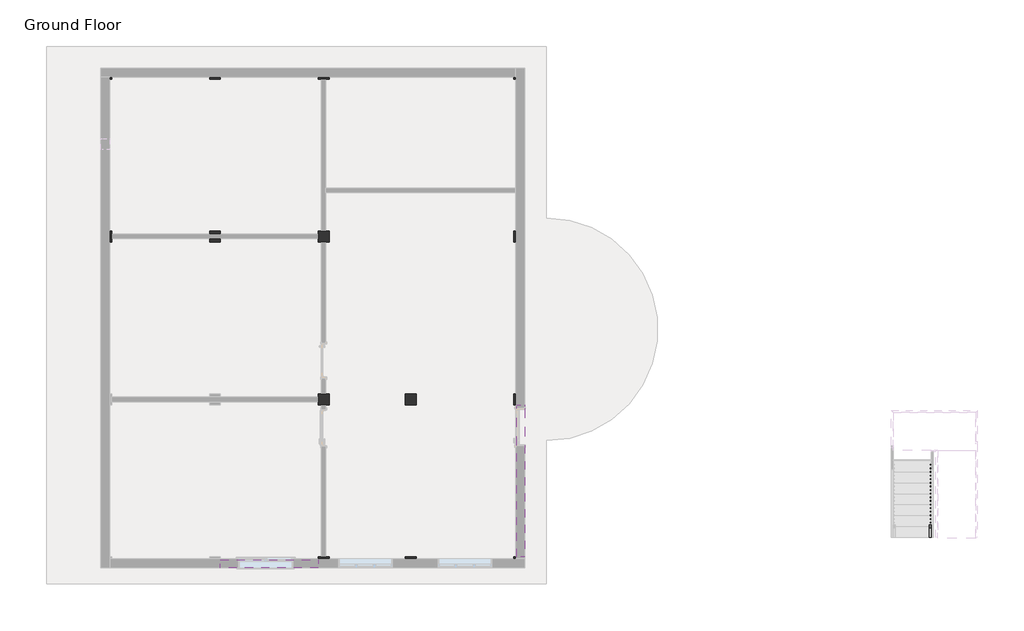
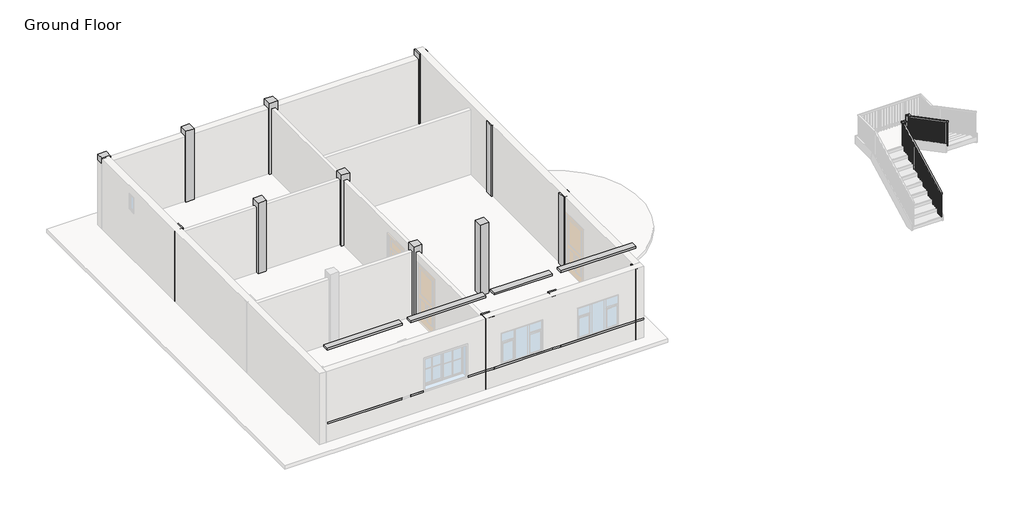
# One storey, part 2 of 3: 14 columns, 3 beams, 1 railing.
"""IFC4 building model written with IfcOpenShell, lengths in millimetres."""

from ifc_helpers import new_model, si_unit, frame, origin, place, context, project, spatial, polyline, outline, extrude, faceted_brep, element, save

model = new_model("IFC4")

# Units and contexts
model_context = context("Model", 3, world=origin())
ifc_project = project(units=[si_unit("LENGTHUNIT", "METRE", prefix="MILLI")], contexts=[model_context])

# Site, building, storey
site = spatial("IfcSite", under=ifc_project)
building = spatial("IfcBuilding", under=site)
storey = spatial("IfcBuildingStorey", under=building, Name="Ground Floor", Elevation=0.0)

# Beams
placement = place(None, origin())
element("IfcBeam", 1, ObjectType="Concrete-Rectangular Beam", at=placement, inside=storey, context=model_context, shape_type="Brep", body=[
    faceted_brep([(14744.5409002, -1628.0114294, 2235.2), (14515.9409002, -1628.0114294, 2235.2), (14515.9409002, -5895.2114294, 2235.2), (14744.5409002, -5895.2114294, 2235.2), (14744.5409002, -1628.0114294, 2133.6), (14744.5409002, -5895.2114294, 2133.6), (14515.9409002, -1628.0114294, 2133.6), (14515.9409002, -5895.2114294, 2133.6)], [[[0, 1, 2, 3]], [[4, 0, 3, 5]], [[6, 4, 5, 7]], [[1, 6, 7, 2]], [[1, 0, 4, 6]], [[3, 2, 7, 5]]]),
    faceted_brep([(14744.5409002, -15039.2114294, 2235.2), (14515.9409002, -15039.2114294, 2235.2), (14515.9409002, -15039.2114294, 2133.6), (14744.5409002, -15039.2114294, 2133.6), (14515.9409002, -10772.0114294, 2235.2), (14744.5409002, -10772.0114294, 2235.2), (14744.5409002, -10772.0114294, 2133.6), (14515.9409002, -10772.0114294, 2133.6), (14515.9409002, -10873.6114294, 2133.6), (14515.9409002, -11915.0114294, 2133.6), (14744.5409002, -11915.0114294, 2133.6), (14744.5409002, -10873.6114294, 2133.6)], [[[0, 1, 2, 3]], [[4, 5, 6, 7]], [[2, 1, 4, 7, 8, 9]], [[1, 0, 5, 4]], [[0, 3, 10, 11, 6, 5]], [[3, 2, 9, 8, 7, 6, 11, 10]]]),
    faceted_brep([(14744.5409002, -10467.2114294, 2235.2), (14515.9409002, -10467.2114294, 2235.2), (14515.9409002, -10467.2114294, 2133.6), (14744.5409002, -10467.2114294, 2133.6), (14515.9409002, -6200.0114294, 2235.2), (14744.5409002, -6200.0114294, 2235.2), (14744.5409002, -6200.0114294, 2133.6), (14515.9409002, -6200.0114294, 2133.6)], [[[0, 1, 2, 3]], [[4, 5, 6, 7]], [[2, 1, 4, 7]], [[1, 0, 5, 4]], [[0, 3, 6, 5]], [[3, 2, 7, 6]]]),
])
element("IfcBeam", 2, ObjectType="Concrete-Rectangular Beam", at=placement, inside=storey, context=model_context, shape_type="Brep", body=[
    faceted_brep([(11696.5409002, -15115.4114294, 762.0), (11696.5409002, -15344.0114294, 762.0), (12306.1409002, -15344.0114294, 762.0), (13830.1409002, -15344.0114294, 762.0), (14439.7409002, -15344.0114294, 762.0), (14439.7409002, -15115.4114294, 762.0), (13830.1409002, -15115.4114294, 762.0), (12306.1409002, -15115.4114294, 762.0), (11696.5409002, -15344.0114294, 685.8), (14439.7409002, -15344.0114294, 685.8), (11696.5409002, -15115.4114294, 685.8), (14439.7409002, -15115.4114294, 685.8)], [[[0, 1, 2, 3, 4, 5, 6, 7]], [[1, 8, 9, 4, 3, 2]], [[8, 10, 11, 9]], [[10, 0, 7, 6, 5, 11]], [[1, 0, 10, 8]], [[5, 4, 9, 11]]]),
    faceted_brep([(3162.1409002, -15344.0114294, 762.0), (3162.1409002, -15115.4114294, 762.0), (3162.1409002, -15115.4114294, 685.8), (3162.1409002, -15344.0114294, 685.8), (5905.3409002, -15115.4114294, 685.8), (5905.3409002, -15115.4114294, 762.0), (5905.3409002, -15344.0114294, 762.0), (5905.3409002, -15344.0114294, 685.8)], [[[0, 1, 2, 3]], [[4, 5, 6, 7]], [[2, 1, 5, 4]], [[1, 0, 6, 5]], [[0, 3, 7, 6]], [[3, 2, 4, 7]]]),
    faceted_brep([(9258.1409002, -15344.0114294, 762.0), (9258.1409002, -15115.4114294, 762.0), (9258.1409002, -15115.4114294, 685.8), (9258.1409002, -15344.0114294, 685.8), (11391.7409002, -15115.4114294, 762.0), (11391.7409002, -15344.0114294, 762.0), (11391.7409002, -15344.0114294, 685.8), (11391.7409002, -15115.4114294, 685.8), (9512.1409002, -15344.0114294, 762.0), (11036.1409002, -15344.0114294, 762.0), (11036.1409002, -15115.4114294, 762.0), (9512.1409002, -15115.4114294, 762.0)], [[[0, 1, 2, 3]], [[4, 5, 6, 7]], [[1, 0, 8, 9, 5, 4, 10, 11]], [[0, 3, 6, 5, 9, 8]], [[3, 2, 7, 6]], [[2, 1, 11, 10, 4, 7]]]),
    faceted_brep([(8953.3409002, -15115.4114294, 762.0), (8953.3409002, -15344.0114294, 762.0), (8953.3409002, -15344.0114294, 685.8), (8953.3409002, -15115.4114294, 685.8), (6210.1409002, -15115.4114294, 685.8), (6210.1409002, -15115.4114294, 762.0), (6718.1409002, -15115.4114294, 762.0), (8242.1409002, -15115.4114294, 762.0), (6210.1409002, -15344.0114294, 685.8), (6210.1409002, -15344.0114294, 762.0), (6718.1409002, -15344.0114294, 762.0), (8242.1409002, -15344.0114294, 762.0)], [[[0, 1, 2, 3]], [[0, 3, 4, 5, 6, 7]], [[5, 4, 8, 9]], [[1, 0, 7, 6, 5, 9, 10, 11]], [[2, 1, 11, 10, 9, 8]], [[3, 2, 8, 4]]]),
])
element("IfcBeam", 3, ObjectType="Concrete-Rectangular Beam", at=placement, inside=storey, context=model_context, shape_type="SweptSolid", body=[
    extrude(outline(polyline([(14439.7409002, -15115.4114294), (14439.7409002, -15344.0114294), (11696.5409002, -15344.0114294), (11696.5409002, -15115.4114294), (14439.7409002, -15115.4114294)])), frame((0.0, 0.0, 3556.0), z_axis=(0.0, 0.0, 1.0), x_axis=(1.0, 0.0, 0.0)), (0.0, 0.0, 1.0), 76.2),
    extrude(outline(polyline([(3162.1409002, -15344.0114294), (3162.1409002, -15115.4114294), (5905.3409002, -15115.4114294), (5905.3409002, -15344.0114294), (3162.1409002, -15344.0114294)])), frame((0.0, 0.0, 3556.0), z_axis=(0.0, 0.0, 1.0), x_axis=(1.0, 0.0, 0.0)), (0.0, 0.0, 1.0), 76.2),
    extrude(outline(polyline([(9258.1409002, -15344.0114294), (9258.1409002, -15115.4114294), (11391.7409002, -15115.4114294), (11391.7409002, -15344.0114294), (9258.1409002, -15344.0114294)])), frame((0.0, 0.0, 3556.0), z_axis=(0.0, 0.0, 1.0), x_axis=(1.0, 0.0, 0.0)), (0.0, 0.0, 1.0), 76.2),
    extrude(outline(polyline([(8953.3409002, -15115.4114294), (8953.3409002, -15344.0114294), (6210.1409002, -15344.0114294), (6210.1409002, -15115.4114294), (8953.3409002, -15115.4114294)])), frame((0.0, 0.0, 3556.0), z_axis=(0.0, 0.0, 1.0), x_axis=(1.0, 0.0, 0.0)), (0.0, 0.0, 1.0), 76.2),
])

# Columns
element("IfcColumn", 4, ObjectType="Concrete-Rectangular-Column", at=placement, inside=storey, context=model_context, shape_type="Brep", body=[
    faceted_brep([(9258.1409002, -15039.2114294, 0.0), (9258.1409002, -15344.0114294, 0.0), (8953.3409002, -15344.0114294, 0.0), (8953.3409002, -15039.2114294, 0.0), (9258.1409002, -15039.2114294, 2743.2), (9258.1409002, -15344.0114294, 2743.2), (9258.1409002, -15344.0114294, 2514.6), (9258.1409002, -15344.0114294, 762.0), (9258.1409002, -15344.0114294, 685.8), (9258.1409002, -15039.2114294, 2514.6), (8953.3409002, -15344.0114294, 2743.2), (8953.3409002, -15344.0114294, 2514.6), (8953.3409002, -15344.0114294, 762.0), (8953.3409002, -15344.0114294, 685.8), (8953.3409002, -15039.2114294, 2743.2), (8953.3409002, -15039.2114294, 2514.6)], [[[0, 1, 2, 3]], [[4, 5, 6, 7, 8, 1, 0, 9]], [[5, 10, 11, 12, 13, 2, 1, 8, 7, 6]], [[10, 14, 15, 3, 2, 13, 12, 11]], [[14, 4, 9, 0, 3, 15]], [[4, 14, 10, 5]]]),
])
element("IfcColumn", 5, ObjectType="Concrete-Rectangular-Column", at=placement, inside=storey, context=model_context, shape_type="Brep", body=[
    faceted_brep([(11696.5409002, -15039.2114294, 0.0), (11696.5409002, -15344.0114294, 0.0), (11391.7409002, -15344.0114294, 0.0), (11391.7409002, -15039.2114294, 0.0), (11696.5409002, -15039.2114294, 2743.2), (11696.5409002, -15344.0114294, 2743.2), (11696.5409002, -15344.0114294, 2514.6), (11696.5409002, -15344.0114294, 762.0), (11696.5409002, -15344.0114294, 685.8), (11696.5409002, -15039.2114294, 2514.6), (11391.7409002, -15344.0114294, 2743.2), (11391.7409002, -15344.0114294, 2514.6), (11391.7409002, -15344.0114294, 762.0), (11391.7409002, -15344.0114294, 685.8), (11391.7409002, -15039.2114294, 2743.2), (11391.7409002, -15039.2114294, 2514.6)], [[[0, 1, 2, 3]], [[4, 5, 6, 7, 8, 1, 0, 9]], [[5, 10, 11, 12, 13, 2, 1, 8, 7, 6]], [[10, 14, 15, 3, 2, 13, 12, 11]], [[14, 4, 9, 0, 3, 15]], [[4, 14, 10, 5]]]),
])
element("IfcColumn", 6, ObjectType="Concrete-Rectangular-Column", at=placement, inside=storey, context=model_context, shape_type="Brep", body=[
    faceted_brep([(14744.5409002, -15039.2114294, 0.0), (14744.5409002, -15344.0114294, 0.0), (14439.7409002, -15344.0114294, 0.0), (14439.7409002, -15039.2114294, 0.0), (14744.5409002, -15039.2114294, 2743.2), (14744.5409002, -15344.0114294, 2743.2), (14744.5409002, -15039.2114294, 2514.6), (14439.7409002, -15344.0114294, 2743.2), (14439.7409002, -15344.0114294, 2514.6), (14439.7409002, -15039.2114294, 2743.2), (14439.7409002, -15039.2114294, 2514.6)], [[[0, 1, 2, 3]], [[4, 5, 1, 0, 6]], [[5, 7, 8, 2, 1]], [[7, 9, 10, 3, 2, 8]], [[9, 4, 6, 0, 3, 10]], [[4, 9, 7, 5]]]),
])
element("IfcColumn", 7, ObjectType="Concrete-Rectangular-Column", at=placement, inside=storey, context=model_context, shape_type="Brep", body=[
    faceted_brep([(9258.1409002, -10467.2114294, 0.0), (9258.1409002, -10772.0114294, 0.0), (8953.3409002, -10772.0114294, 0.0), (8953.3409002, -10467.2114294, 0.0), (9258.1409002, -10467.2114294, 2743.2), (9258.1409002, -10772.0114294, 2743.2), (9258.1409002, -10772.0114294, 2514.6), (9258.1409002, -10467.2114294, 2514.6), (8953.3409002, -10772.0114294, 2743.2), (8953.3409002, -10772.0114294, 2514.6), (8953.3409002, -10467.2114294, 2743.2), (8953.3409002, -10467.2114294, 2514.6)], [[[0, 1, 2, 3]], [[4, 5, 6, 1, 0, 7]], [[5, 8, 9, 2, 1, 6]], [[8, 10, 11, 3, 2, 9]], [[10, 4, 7, 0, 3, 11]], [[4, 10, 8, 5]]]),
])
element("IfcColumn", 8, ObjectType="Concrete-Rectangular-Column", at=placement, inside=storey, context=model_context, shape_type="Brep", body=[
    faceted_brep([(11696.5409002, -10467.2114294, 0.0), (11696.5409002, -10772.0114294, 0.0), (11391.7409002, -10772.0114294, 0.0), (11391.7409002, -10467.2114294, 0.0), (11696.5409002, -10467.2114294, 2743.2), (11696.5409002, -10772.0114294, 2743.2), (11696.5409002, -10772.0114294, 2514.6), (11696.5409002, -10467.2114294, 2514.6), (11391.7409002, -10772.0114294, 2743.2), (11391.7409002, -10772.0114294, 2514.6), (11391.7409002, -10467.2114294, 2743.2), (11391.7409002, -10467.2114294, 2514.6)], [[[0, 1, 2, 3]], [[4, 5, 6, 1, 0, 7]], [[5, 8, 9, 2, 1, 6]], [[8, 10, 11, 3, 2, 9]], [[10, 4, 7, 0, 3, 11]], [[4, 10, 8, 5]]]),
])
element("IfcColumn", 9, ObjectType="Concrete-Rectangular-Column", at=placement, inside=storey, context=model_context, shape_type="Brep", body=[
    faceted_brep([(14744.5409002, -10467.2114294, 0.0), (14744.5409002, -10772.0114294, 0.0), (14439.7409002, -10772.0114294, 0.0), (14439.7409002, -10467.2114294, 0.0), (14744.5409002, -10467.2114294, 2743.2), (14744.5409002, -10772.0114294, 2743.2), (14744.5409002, -10772.0114294, 2514.6), (14744.5409002, -10772.0114294, 2235.2), (14744.5409002, -10772.0114294, 2133.6), (14744.5409002, -10467.2114294, 2133.6), (14744.5409002, -10467.2114294, 2235.2), (14744.5409002, -10467.2114294, 2514.6), (14439.7409002, -10772.0114294, 2743.2), (14439.7409002, -10772.0114294, 2514.6), (14439.7409002, -10467.2114294, 2743.2), (14439.7409002, -10467.2114294, 2514.6)], [[[0, 1, 2, 3]], [[4, 5, 6, 7, 8, 1, 0, 9, 10, 11]], [[5, 12, 13, 2, 1, 8, 7, 6]], [[12, 14, 15, 3, 2, 13]], [[14, 4, 11, 10, 9, 0, 3, 15]], [[4, 14, 12, 5]]]),
])
element("IfcColumn", 10, ObjectType="Concrete-Rectangular-Column", at=placement, inside=storey, context=model_context, shape_type="Brep", body=[
    faceted_brep([(3162.1409002, -5895.2114294, 0.0), (3162.1409002, -6200.0114294, 0.0), (2857.3409002, -6200.0114294, 0.0), (2857.3409002, -5895.2114294, 0.0), (3162.1409002, -5895.2114294, 2743.2), (3162.1409002, -6200.0114294, 2743.2), (3162.1409002, -6200.0114294, 2514.6), (3162.1409002, -5895.2114294, 2514.6), (2857.3409002, -6200.0114294, 2743.2), (2857.3409002, -6200.0114294, 2514.6), (2857.3409002, -5895.2114294, 2743.2), (2857.3409002, -5895.2114294, 2514.6)], [[[0, 1, 2, 3]], [[4, 5, 6, 1, 0, 7]], [[5, 8, 9, 2, 1, 6]], [[8, 10, 11, 3, 2, 9]], [[10, 4, 7, 0, 3, 11]], [[4, 10, 8, 5]]]),
])
element("IfcColumn", 11, ObjectType="Concrete-Rectangular-Column", at=placement, inside=storey, context=model_context, shape_type="Brep", body=[
    faceted_brep([(9258.1409002, -5895.2114294, 0.0), (9258.1409002, -6200.0114294, 0.0), (8953.3409002, -6200.0114294, 0.0), (8953.3409002, -5895.2114294, 0.0), (9258.1409002, -5895.2114294, 2743.2), (9258.1409002, -6200.0114294, 2743.2), (9258.1409002, -6200.0114294, 2514.6), (9258.1409002, -5895.2114294, 2514.6), (8953.3409002, -6200.0114294, 2743.2), (8953.3409002, -6200.0114294, 2514.6), (8953.3409002, -5895.2114294, 2743.2), (8953.3409002, -5895.2114294, 2514.6)], [[[0, 1, 2, 3]], [[4, 5, 6, 1, 0, 7]], [[5, 8, 9, 2, 1, 6]], [[8, 10, 11, 3, 2, 9]], [[10, 4, 7, 0, 3, 11]], [[4, 10, 8, 5]]]),
])
element("IfcColumn", 12, ObjectType="Concrete-Rectangular-Column", at=placement, inside=storey, context=model_context, shape_type="Brep", body=[
    faceted_brep([(14744.5409002, -5895.2114294, 0.0), (14744.5409002, -6200.0114294, 0.0), (14439.7409002, -6200.0114294, 0.0), (14439.7409002, -5895.2114294, 0.0), (14744.5409002, -5895.2114294, 2743.2), (14744.5409002, -6200.0114294, 2743.2), (14744.5409002, -6200.0114294, 2514.6), (14744.5409002, -6200.0114294, 2235.2), (14744.5409002, -6200.0114294, 2133.6), (14744.5409002, -5895.2114294, 2133.6), (14744.5409002, -5895.2114294, 2235.2), (14744.5409002, -5895.2114294, 2514.6), (14439.7409002, -6200.0114294, 2743.2), (14439.7409002, -6200.0114294, 2514.6), (14439.7409002, -5895.2114294, 2743.2), (14439.7409002, -5895.2114294, 2514.6)], [[[0, 1, 2, 3]], [[4, 5, 6, 7, 8, 1, 0, 9, 10, 11]], [[5, 12, 13, 2, 1, 8, 7, 6]], [[12, 14, 15, 3, 2, 13]], [[14, 4, 11, 10, 9, 0, 3, 15]], [[4, 14, 12, 5]]]),
])
element("IfcColumn", 13, ObjectType="Concrete-Rectangular-Column", at=placement, inside=storey, context=model_context, shape_type="Brep", body=[
    faceted_brep([(6210.1409002, -5895.2114294, 0.0), (6210.1409002, -6200.0114294, 0.0), (5905.3409002, -6200.0114294, 0.0), (5905.3409002, -5895.2114294, 0.0), (6210.1409002, -5895.2114294, 2743.2), (6210.1409002, -6200.0114294, 2743.2), (6210.1409002, -6200.0114294, 2514.6), (6210.1409002, -5895.2114294, 2514.6), (5905.3409002, -6200.0114294, 2743.2), (5905.3409002, -6200.0114294, 2514.6), (5905.3409002, -5895.2114294, 2743.2), (5905.3409002, -5895.2114294, 2514.6)], [[[0, 1, 2, 3]], [[4, 5, 6, 1, 0, 7]], [[5, 8, 9, 2, 1, 6]], [[8, 10, 11, 3, 2, 9]], [[10, 4, 7, 0, 3, 11]], [[4, 10, 8, 5]]]),
])
element("IfcColumn", 14, ObjectType="Concrete-Rectangular-Column", at=placement, inside=storey, context=model_context, shape_type="Brep", body=[
    faceted_brep([(3162.1409002, -1323.2114294, 0.0), (3162.1409002, -1628.0114294, 0.0), (2857.3409002, -1628.0114294, 0.0), (2857.3409002, -1323.2114294, 0.0), (3162.1409002, -1323.2114294, 2743.2), (3162.1409002, -1628.0114294, 2743.2), (3162.1409002, -1628.0114294, 2514.6), (3162.1409002, -1323.2114294, 2514.6), (2857.3409002, -1628.0114294, 2743.2), (2857.3409002, -1628.0114294, 2514.6), (2857.3409002, -1323.2114294, 2743.2)], [[[0, 1, 2, 3]], [[4, 5, 6, 1, 0, 7]], [[5, 8, 9, 2, 1, 6]], [[8, 10, 3, 2, 9]], [[10, 4, 7, 0, 3]], [[4, 10, 8, 5]]]),
])
element("IfcColumn", 15, ObjectType="Concrete-Rectangular-Column", at=placement, inside=storey, context=model_context, shape_type="Brep", body=[
    faceted_brep([(9258.1409002, -1323.2114294, 0.0), (9258.1409002, -1628.0114294, 0.0), (8953.3409002, -1628.0114294, 0.0), (8953.3409002, -1323.2114294, 0.0), (9258.1409002, -1323.2114294, 2743.2), (9258.1409002, -1628.0114294, 2743.2), (9258.1409002, -1628.0114294, 2514.6), (9258.1409002, -1323.2114294, 2514.6), (8953.3409002, -1628.0114294, 2743.2), (8953.3409002, -1628.0114294, 2514.6), (8953.3409002, -1323.2114294, 2743.2), (8953.3409002, -1323.2114294, 2514.6)], [[[0, 1, 2, 3]], [[4, 5, 6, 1, 0, 7]], [[5, 8, 9, 2, 1, 6]], [[8, 10, 11, 3, 2, 9]], [[10, 4, 7, 0, 3, 11]], [[4, 10, 8, 5]]]),
])
element("IfcColumn", 16, ObjectType="Concrete-Rectangular-Column", at=placement, inside=storey, context=model_context, shape_type="Brep", body=[
    faceted_brep([(14744.5409002, -1323.2114294, 0.0), (14744.5409002, -1628.0114294, 0.0), (14439.7409002, -1628.0114294, 0.0), (14439.7409002, -1323.2114294, 0.0), (14744.5409002, -1323.2114294, 2743.2), (14744.5409002, -1628.0114294, 2743.2), (14744.5409002, -1628.0114294, 2514.6), (14439.7409002, -1628.0114294, 2743.2), (14439.7409002, -1628.0114294, 2514.6), (14439.7409002, -1323.2114294, 2743.2), (14439.7409002, -1323.2114294, 2514.6)], [[[0, 1, 2, 3]], [[4, 5, 6, 1, 0]], [[5, 7, 8, 2, 1, 6]], [[7, 9, 10, 3, 2, 8]], [[9, 4, 0, 3, 10]], [[4, 9, 7, 5]]]),
])
element("IfcColumn", 17, ObjectType="Concrete-Rectangular-Column", at=placement, inside=storey, context=model_context, shape_type="Brep", body=[
    faceted_brep([(6210.1409002, -1323.2114294, 0.0), (6210.1409002, -1628.0114294, 0.0), (5905.3409002, -1628.0114294, 0.0), (5905.3409002, -1323.2114294, 0.0), (6210.1409002, -1323.2114294, 2743.2), (6210.1409002, -1628.0114294, 2743.2), (6210.1409002, -1628.0114294, 2514.6), (6210.1409002, -1323.2114294, 2514.6), (5905.3409002, -1628.0114294, 2743.2), (5905.3409002, -1628.0114294, 2514.6), (5905.3409002, -1323.2114294, 2743.2), (5905.3409002, -1323.2114294, 2514.6)], [[[0, 1, 2, 3]], [[4, 5, 6, 1, 0, 7]], [[5, 8, 9, 2, 1, 6]], [[8, 10, 11, 3, 2, 9]], [[10, 4, 7, 0, 3, 11]], [[4, 10, 8, 5]]]),
])

# Railing
element("IfcRailing", 18, ObjectType="Handrail - Rectangular", at=placement, inside=storey, context=model_context, shape_type="SolidModel", body=[
    faceted_brep([(26095.7688569, -14483.5796278, 1073.8555556), (26095.7688569, -14483.5796278, 1016.5238903), (26146.5688569, -14483.5796278, 1016.5238903), (26146.5688569, -14483.5796278, 1073.8555556), (26095.7688569, -12121.3796278, 2309.6361111), (26095.7688569, -12070.5796278, 2278.8803718), (26146.5688569, -12070.5796278, 2278.8803718), (26146.5688569, -12121.3796278, 2309.6361111), (26095.7688569, -12121.3796278, 2349.5), (26095.7688569, -12070.5796278, 2298.7), (26146.5688569, -12070.5796278, 2298.7), (26146.5688569, -12121.3796278, 2349.5), (26095.7688569, -11994.3796278, 2349.5), (26095.7688569, -11994.3796278, 2298.7), (26146.5688569, -12045.1796278, 2298.7), (26146.5688569, -12045.1796278, 2349.5), (26222.7688569, -11994.3796278, 2349.5), (26222.7688569, -11994.3796278, 2298.7), (26222.7688569, -12045.1796278, 2298.7), (26222.7688569, -12045.1796278, 2349.5), (26248.1688569, -11994.3796278, 2349.5), (26298.9688569, -11994.3796278, 2298.7), (26298.9688569, -12045.1796278, 2298.7), (26248.1688569, -12045.1796278, 2349.5), (26248.1688569, -11994.3796278, 2548.8194444), (26298.9688569, -11994.3796278, 2498.0194444), (26298.9688569, -12045.1796278, 2498.0194444), (26248.1688569, -12045.1796278, 2548.8194444), (26375.1688569, -11994.3796278, 2548.8194444), (26375.1688569, -11994.3796278, 2498.0194444), (26324.3688569, -12045.1796278, 2498.0194444), (26324.3688569, -12045.1796278, 2548.8194444), (26375.1688569, -12121.3796278, 2548.8194444), (26375.1688569, -12133.8649348, 2498.0194444), (26324.3688569, -12133.8649348, 2498.0194444), (26324.3688569, -12121.3796278, 2548.8194444), (26375.1688569, -14483.5796278, 3784.6), (26324.3688569, -14483.5796278, 3784.6), (26324.3688569, -14483.5796278, 3727.2683348), (26375.1688569, -14483.5796278, 3727.2683348)], [[[0, 1, 2, 3]], [[1, 0, 4, 5]], [[2, 1, 5, 6]], [[3, 2, 6, 7]], [[0, 3, 7, 4]], [[5, 4, 8, 9]], [[6, 5, 9, 10]], [[7, 6, 10, 11]], [[4, 7, 11, 8]], [[9, 8, 12, 13]], [[10, 9, 13, 14]], [[11, 10, 14, 15]], [[8, 11, 15, 12]], [[13, 12, 16, 17]], [[14, 13, 17, 18]], [[15, 14, 18, 19]], [[12, 15, 19, 16]], [[17, 16, 20, 21]], [[18, 17, 21, 22]], [[19, 18, 22, 23]], [[16, 19, 23, 20]], [[21, 20, 24, 25]], [[22, 21, 25, 26]], [[23, 22, 26, 27]], [[20, 23, 27, 24]], [[25, 24, 28, 29]], [[26, 25, 29, 30]], [[27, 26, 30, 31]], [[24, 27, 31, 28]], [[29, 28, 32, 33]], [[30, 29, 33, 34]], [[31, 30, 34, 35]], [[28, 31, 35, 32]], [[36, 37, 38, 39]], [[33, 32, 36, 39]], [[34, 33, 39, 38]], [[35, 34, 38, 37]], [[32, 35, 37, 36]]]),
    extrude(outline(polyline([(-14467.7046278, 3718.9633579), (-14448.6546278, 3708.9973857), (-14448.6546278, 2710.7444444), (-14467.7046278, 2710.7444444), (-14467.7046278, 3718.9633579)])), frame((26340.2438569, 0.0, 0.0), z_axis=(1.0, 0.0, 0.0), x_axis=(0.0, 1.0, 0.0)), (0.0, 0.0, 1.0), 19.05),
    extrude(outline(polyline([(-14366.1046278, 3665.8115061), (-14347.0546278, 3655.8455338), (-14347.0546278, 2710.7444444), (-14366.1046278, 2710.7444444), (-14366.1046278, 3665.8115061)])), frame((26340.2438569, 0.0, 0.0), z_axis=(1.0, 0.0, 0.0), x_axis=(0.0, 1.0, 0.0)), (0.0, 0.0, 1.0), 19.05),
    extrude(outline(polyline([(-14264.5046278, 3612.6596542), (-14245.4546278, 3602.693682), (-14245.4546278, 2710.7444444), (-14264.5046278, 2710.7444444), (-14264.5046278, 3612.6596542)])), frame((26340.2438569, 0.0, 0.0), z_axis=(1.0, 0.0, 0.0), x_axis=(0.0, 1.0, 0.0)), (0.0, 0.0, 1.0), 19.05),
    extrude(outline(polyline([(-14162.9046278, 3559.5078024), (-14143.8546278, 3549.5418301), (-14143.8546278, 2551.2888889), (-14162.9046278, 2551.2888889), (-14162.9046278, 3559.5078024)])), frame((26340.2438569, 0.0, 0.0), z_axis=(1.0, 0.0, 0.0), x_axis=(0.0, 1.0, 0.0)), (0.0, 0.0, 1.0), 19.05),
    extrude(outline(polyline([(-14061.3046278, 3506.3559505), (-14042.2546278, 3496.3899783), (-14042.2546278, 2551.2888889), (-14061.3046278, 2551.2888889), (-14061.3046278, 3506.3559505)])), frame((26340.2438569, 0.0, 0.0), z_axis=(1.0, 0.0, 0.0), x_axis=(0.0, 1.0, 0.0)), (0.0, 0.0, 1.0), 19.05),
    extrude(outline(polyline([(-13959.7046278, 3453.2040987), (-13940.6546278, 3443.2381264), (-13940.6546278, 2551.2888889), (-13959.7046278, 2551.2888889), (-13959.7046278, 3453.2040987)])), frame((26340.2438569, 0.0, 0.0), z_axis=(1.0, 0.0, 0.0), x_axis=(0.0, 1.0, 0.0)), (0.0, 0.0, 1.0), 19.05),
    extrude(outline(polyline([(-13858.1046278, 3400.0522468), (-13839.0546278, 3390.0862746), (-13839.0546278, 2391.8333333), (-13858.1046278, 2391.8333333), (-13858.1046278, 3400.0522468)])), frame((26340.2438569, 0.0, 0.0), z_axis=(1.0, 0.0, 0.0), x_axis=(0.0, 1.0, 0.0)), (0.0, 0.0, 1.0), 19.05),
    extrude(outline(polyline([(-13756.5046278, 3346.9003949), (-13737.4546278, 3336.9344227), (-13737.4546278, 2391.8333333), (-13756.5046278, 2391.8333333), (-13756.5046278, 3346.9003949)])), frame((26340.2438569, 0.0, 0.0), z_axis=(1.0, 0.0, 0.0), x_axis=(0.0, 1.0, 0.0)), (0.0, 0.0, 1.0), 19.05),
    extrude(outline(polyline([(-13654.9046278, 3293.7485431), (-13635.8546278, 3283.7825709), (-13635.8546278, 2391.8333333), (-13654.9046278, 2391.8333333), (-13654.9046278, 3293.7485431)])), frame((26340.2438569, 0.0, 0.0), z_axis=(1.0, 0.0, 0.0), x_axis=(0.0, 1.0, 0.0)), (0.0, 0.0, 1.0), 19.05),
    extrude(outline(polyline([(-13553.3046278, 3240.5966912), (-13534.2546278, 3230.630719), (-13534.2546278, 2232.3777778), (-13553.3046278, 2232.3777778), (-13553.3046278, 3240.5966912)])), frame((26340.2438569, 0.0, 0.0), z_axis=(1.0, 0.0, 0.0), x_axis=(0.0, 1.0, 0.0)), (0.0, 0.0, 1.0), 19.05),
    extrude(outline(polyline([(-13451.7046278, 3187.4448394), (-13432.6546278, 3177.4788672), (-13432.6546278, 2232.3777778), (-13451.7046278, 2232.3777778), (-13451.7046278, 3187.4448394)])), frame((26340.2438569, 0.0, 0.0), z_axis=(1.0, 0.0, 0.0), x_axis=(0.0, 1.0, 0.0)), (0.0, 0.0, 1.0), 19.05),
    extrude(outline(polyline([(-13350.1046278, 3134.2929875), (-13331.0546278, 3124.3270153), (-13331.0546278, 2232.3777778), (-13350.1046278, 2232.3777778), (-13350.1046278, 3134.2929875)])), frame((26340.2438569, 0.0, 0.0), z_axis=(1.0, 0.0, 0.0), x_axis=(0.0, 1.0, 0.0)), (0.0, 0.0, 1.0), 19.05),
    extrude(outline(polyline([(-13248.5046278, 3081.1411357), (-13229.4546278, 3071.1751635), (-13229.4546278, 2072.9222222), (-13248.5046278, 2072.9222222), (-13248.5046278, 3081.1411357)])), frame((26340.2438569, 0.0, 0.0), z_axis=(1.0, 0.0, 0.0), x_axis=(0.0, 1.0, 0.0)), (0.0, 0.0, 1.0), 19.05),
    extrude(outline(polyline([(-13146.9046278, 3027.9892838), (-13127.8546278, 3018.0233116), (-13127.8546278, 2072.9222222), (-13146.9046278, 2072.9222222), (-13146.9046278, 3027.9892838)])), frame((26340.2438569, 0.0, 0.0), z_axis=(1.0, 0.0, 0.0), x_axis=(0.0, 1.0, 0.0)), (0.0, 0.0, 1.0), 19.05),
    extrude(outline(polyline([(-13045.3046278, 2974.837432), (-13026.2546278, 2964.8714598), (-13026.2546278, 2072.9222222), (-13045.3046278, 2072.9222222), (-13045.3046278, 2974.837432)])), frame((26340.2438569, 0.0, 0.0), z_axis=(1.0, 0.0, 0.0), x_axis=(0.0, 1.0, 0.0)), (0.0, 0.0, 1.0), 19.05),
    extrude(outline(polyline([(-12943.7046278, 2921.6855801), (-12924.6546278, 2911.7196079), (-12924.6546278, 1913.4666667), (-12943.7046278, 1913.4666667), (-12943.7046278, 2921.6855801)])), frame((26340.2438569, 0.0, 0.0), z_axis=(1.0, 0.0, 0.0), x_axis=(0.0, 1.0, 0.0)), (0.0, 0.0, 1.0), 19.05),
    extrude(outline(polyline([(-12842.1046278, 2868.5337283), (-12823.0546278, 2858.5677561), (-12823.0546278, 1913.4666667), (-12842.1046278, 1913.4666667), (-12842.1046278, 2868.5337283)])), frame((26340.2438569, 0.0, 0.0), z_axis=(1.0, 0.0, 0.0), x_axis=(0.0, 1.0, 0.0)), (0.0, 0.0, 1.0), 19.05),
    extrude(outline(polyline([(-12740.5046278, 2815.3818764), (-12721.4546278, 2805.4159042), (-12721.4546278, 1913.4666667), (-12740.5046278, 1913.4666667), (-12740.5046278, 2815.3818764)])), frame((26340.2438569, 0.0, 0.0), z_axis=(1.0, 0.0, 0.0), x_axis=(0.0, 1.0, 0.0)), (0.0, 0.0, 1.0), 19.05),
    extrude(outline(polyline([(-12638.9046278, 2762.2300246), (-12619.8546278, 2752.2640524), (-12619.8546278, 1754.0111111), (-12638.9046278, 1754.0111111), (-12638.9046278, 2762.2300246)])), frame((26340.2438569, 0.0, 0.0), z_axis=(1.0, 0.0, 0.0), x_axis=(0.0, 1.0, 0.0)), (0.0, 0.0, 1.0), 19.05),
    extrude(outline(polyline([(-12537.3046278, 2709.0781727), (-12518.2546278, 2699.1122005), (-12518.2546278, 1754.0111111), (-12537.3046278, 1754.0111111), (-12537.3046278, 2709.0781727)])), frame((26340.2438569, 0.0, 0.0), z_axis=(1.0, 0.0, 0.0), x_axis=(0.0, 1.0, 0.0)), (0.0, 0.0, 1.0), 19.05),
    extrude(outline(polyline([(-12435.7046278, 2655.9263209), (-12416.6546278, 2645.9603487), (-12416.6546278, 1754.0111111), (-12435.7046278, 1754.0111111), (-12435.7046278, 2655.9263209)])), frame((26340.2438569, 0.0, 0.0), z_axis=(1.0, 0.0, 0.0), x_axis=(0.0, 1.0, 0.0)), (0.0, 0.0, 1.0), 19.05),
    extrude(outline(polyline([(-12334.1046278, 2602.774469), (-12315.0546278, 2592.8084968), (-12315.0546278, 1594.5555556), (-12334.1046278, 1594.5555556), (-12334.1046278, 2602.774469)])), frame((26340.2438569, 0.0, 0.0), z_axis=(1.0, 0.0, 0.0), x_axis=(0.0, 1.0, 0.0)), (0.0, 0.0, 1.0), 19.05),
    extrude(outline(polyline([(-12232.5046278, 2549.6226172), (-12213.4546278, 2539.6566449), (-12213.4546278, 1594.5555556), (-12232.5046278, 1594.5555556), (-12232.5046278, 2549.6226172)])), frame((26340.2438569, 0.0, 0.0), z_axis=(1.0, 0.0, 0.0), x_axis=(0.0, 1.0, 0.0)), (0.0, 0.0, 1.0), 19.05),
    extrude(outline(polyline([(-12130.9046278, 2496.4707653), (-12111.8546278, 2486.5047931), (-12111.8546278, 1594.5555556), (-12130.9046278, 1594.5555556), (-12130.9046278, 2496.4707653)])), frame((26340.2438569, 0.0, 0.0), z_axis=(1.0, 0.0, 0.0), x_axis=(0.0, 1.0, 0.0)), (0.0, 0.0, 1.0), 19.05),
    extrude(outline(polyline([(26314.8438569, -12029.3046278), (26314.8438569, -12010.2546278), (26333.8938569, -12010.2546278), (26333.8938569, -12029.3046278), (26314.8438569, -12029.3046278)])), frame((0.0, 0.0, 1435.1), z_axis=(0.0, 0.0, 1.0), x_axis=(1.0, 0.0, 0.0)), (0.0, 0.0, 1.0), 1062.9194444),
    extrude(outline(polyline([(26213.2438569, -12029.3046278), (26213.2438569, -12010.2546278), (26232.2938569, -12010.2546278), (26232.2938569, -12029.3046278), (26213.2438569, -12029.3046278)])), frame((0.0, 0.0, 1435.1), z_axis=(0.0, 0.0, 1.0), x_axis=(1.0, 0.0, 0.0)), (0.0, 0.0, 1.0), 863.6),
    extrude(outline(polyline([(26130.6938569, -12054.7046278), (26111.6438569, -12054.7046278), (26111.6438569, -12035.6546278), (26130.6938569, -12035.6546278), (26130.6938569, -12054.7046278)])), frame((0.0, 0.0, 1435.1), z_axis=(0.0, 0.0, 1.0), x_axis=(1.0, 0.0, 0.0)), (0.0, 0.0, 1.0), 863.6),
    extrude(outline(polyline([(-12156.3046278, 2234.0334968), (-12137.2546278, 2243.999469), (-12137.2546278, 1275.6444444), (-12156.3046278, 1275.6444444), (-12156.3046278, 2234.0334968)])), frame((26111.6438569, 0.0, 0.0), z_axis=(1.0, 0.0, 0.0), x_axis=(0.0, 1.0, 0.0)), (0.0, 0.0, 1.0), 19.05),
    extrude(outline(polyline([(-12257.9046278, 2180.8816449), (-12238.8546278, 2190.8476172), (-12238.8546278, 1275.6444444), (-12257.9046278, 1275.6444444), (-12257.9046278, 2180.8816449)])), frame((26111.6438569, 0.0, 0.0), z_axis=(1.0, 0.0, 0.0), x_axis=(0.0, 1.0, 0.0)), (0.0, 0.0, 1.0), 19.05),
    extrude(outline(polyline([(-12359.5046278, 2127.7297931), (-12340.4546278, 2137.6957653), (-12340.4546278, 1275.6444444), (-12359.5046278, 1275.6444444), (-12359.5046278, 2127.7297931)])), frame((26111.6438569, 0.0, 0.0), z_axis=(1.0, 0.0, 0.0), x_axis=(0.0, 1.0, 0.0)), (0.0, 0.0, 1.0), 19.05),
    extrude(outline(polyline([(-12461.1046278, 2074.5779412), (-12442.0546278, 2084.5439135), (-12442.0546278, 1116.1888889), (-12461.1046278, 1116.1888889), (-12461.1046278, 2074.5779412)])), frame((26111.6438569, 0.0, 0.0), z_axis=(1.0, 0.0, 0.0), x_axis=(0.0, 1.0, 0.0)), (0.0, 0.0, 1.0), 19.05),
    extrude(outline(polyline([(-12562.7046278, 2021.4260894), (-12543.6546278, 2031.3920616), (-12543.6546278, 1116.1888889), (-12562.7046278, 1116.1888889), (-12562.7046278, 2021.4260894)])), frame((26111.6438569, 0.0, 0.0), z_axis=(1.0, 0.0, 0.0), x_axis=(0.0, 1.0, 0.0)), (0.0, 0.0, 1.0), 19.05),
    extrude(outline(polyline([(-12664.3046278, 1968.2742375), (-12645.2546278, 1978.2402098), (-12645.2546278, 1116.1888889), (-12664.3046278, 1116.1888889), (-12664.3046278, 1968.2742375)])), frame((26111.6438569, 0.0, 0.0), z_axis=(1.0, 0.0, 0.0), x_axis=(0.0, 1.0, 0.0)), (0.0, 0.0, 1.0), 19.05),
    extrude(outline(polyline([(-12765.9046278, 1915.1223857), (-12746.8546278, 1925.0883579), (-12746.8546278, 956.7333333), (-12765.9046278, 956.7333333), (-12765.9046278, 1915.1223857)])), frame((26111.6438569, 0.0, 0.0), z_axis=(1.0, 0.0, 0.0), x_axis=(0.0, 1.0, 0.0)), (0.0, 0.0, 1.0), 19.05),
    extrude(outline(polyline([(-12867.5046278, 1861.9705338), (-12848.4546278, 1871.9365061), (-12848.4546278, 956.7333333), (-12867.5046278, 956.7333333), (-12867.5046278, 1861.9705338)])), frame((26111.6438569, 0.0, 0.0), z_axis=(1.0, 0.0, 0.0), x_axis=(0.0, 1.0, 0.0)), (0.0, 0.0, 1.0), 19.05),
    extrude(outline(polyline([(-12969.1046278, 1808.818682), (-12950.0546278, 1818.7846542), (-12950.0546278, 956.7333333), (-12969.1046278, 956.7333333), (-12969.1046278, 1808.818682)])), frame((26111.6438569, 0.0, 0.0), z_axis=(1.0, 0.0, 0.0), x_axis=(0.0, 1.0, 0.0)), (0.0, 0.0, 1.0), 19.05),
    extrude(outline(polyline([(-13070.7046278, 1755.6668301), (-13051.6546278, 1765.6328024), (-13051.6546278, 797.2777778), (-13070.7046278, 797.2777778), (-13070.7046278, 1755.6668301)])), frame((26111.6438569, 0.0, 0.0), z_axis=(1.0, 0.0, 0.0), x_axis=(0.0, 1.0, 0.0)), (0.0, 0.0, 1.0), 19.05),
    extrude(outline(polyline([(-13172.3046278, 1702.5149783), (-13153.2546278, 1712.4809505), (-13153.2546278, 797.2777778), (-13172.3046278, 797.2777778), (-13172.3046278, 1702.5149783)])), frame((26111.6438569, 0.0, 0.0), z_axis=(1.0, 0.0, 0.0), x_axis=(0.0, 1.0, 0.0)), (0.0, 0.0, 1.0), 19.05),
    extrude(outline(polyline([(-13273.9046278, 1649.3631264), (-13254.8546278, 1659.3290987), (-13254.8546278, 797.2777778), (-13273.9046278, 797.2777778), (-13273.9046278, 1649.3631264)])), frame((26111.6438569, 0.0, 0.0), z_axis=(1.0, 0.0, 0.0), x_axis=(0.0, 1.0, 0.0)), (0.0, 0.0, 1.0), 19.05),
    extrude(outline(polyline([(-13375.5046278, 1596.2112746), (-13356.4546278, 1606.1772468), (-13356.4546278, 637.8222222), (-13375.5046278, 637.8222222), (-13375.5046278, 1596.2112746)])), frame((26111.6438569, 0.0, 0.0), z_axis=(1.0, 0.0, 0.0), x_axis=(0.0, 1.0, 0.0)), (0.0, 0.0, 1.0), 19.05),
    extrude(outline(polyline([(-13477.1046278, 1543.0594227), (-13458.0546278, 1553.0253949), (-13458.0546278, 637.8222222), (-13477.1046278, 637.8222222), (-13477.1046278, 1543.0594227)])), frame((26111.6438569, 0.0, 0.0), z_axis=(1.0, 0.0, 0.0), x_axis=(0.0, 1.0, 0.0)), (0.0, 0.0, 1.0), 19.05),
    extrude(outline(polyline([(-13578.7046278, 1489.9075709), (-13559.6546278, 1499.8735431), (-13559.6546278, 637.8222222), (-13578.7046278, 637.8222222), (-13578.7046278, 1489.9075709)])), frame((26111.6438569, 0.0, 0.0), z_axis=(1.0, 0.0, 0.0), x_axis=(0.0, 1.0, 0.0)), (0.0, 0.0, 1.0), 19.05),
    extrude(outline(polyline([(-13680.3046278, 1436.755719), (-13661.2546278, 1446.7216912), (-13661.2546278, 478.3666667), (-13680.3046278, 478.3666667), (-13680.3046278, 1436.755719)])), frame((26111.6438569, 0.0, 0.0), z_axis=(1.0, 0.0, 0.0), x_axis=(0.0, 1.0, 0.0)), (0.0, 0.0, 1.0), 19.05),
    extrude(outline(polyline([(-13781.9046278, 1383.6038672), (-13762.8546278, 1393.5698394), (-13762.8546278, 478.3666667), (-13781.9046278, 478.3666667), (-13781.9046278, 1383.6038672)])), frame((26111.6438569, 0.0, 0.0), z_axis=(1.0, 0.0, 0.0), x_axis=(0.0, 1.0, 0.0)), (0.0, 0.0, 1.0), 19.05),
    extrude(outline(polyline([(-13883.5046278, 1330.4520153), (-13864.4546278, 1340.4179875), (-13864.4546278, 478.3666667), (-13883.5046278, 478.3666667), (-13883.5046278, 1330.4520153)])), frame((26111.6438569, 0.0, 0.0), z_axis=(1.0, 0.0, 0.0), x_axis=(0.0, 1.0, 0.0)), (0.0, 0.0, 1.0), 19.05),
    extrude(outline(polyline([(-13985.1046278, 1277.3001635), (-13966.0546278, 1287.2661357), (-13966.0546278, 318.9111111), (-13985.1046278, 318.9111111), (-13985.1046278, 1277.3001635)])), frame((26111.6438569, 0.0, 0.0), z_axis=(1.0, 0.0, 0.0), x_axis=(0.0, 1.0, 0.0)), (0.0, 0.0, 1.0), 19.05),
    extrude(outline(polyline([(-14086.7046278, 1224.1483116), (-14067.6546278, 1234.1142838), (-14067.6546278, 318.9111111), (-14086.7046278, 318.9111111), (-14086.7046278, 1224.1483116)])), frame((26111.6438569, 0.0, 0.0), z_axis=(1.0, 0.0, 0.0), x_axis=(0.0, 1.0, 0.0)), (0.0, 0.0, 1.0), 19.05),
    extrude(outline(polyline([(-14188.3046278, 1170.9964598), (-14169.2546278, 1180.962432), (-14169.2546278, 318.9111111), (-14188.3046278, 318.9111111), (-14188.3046278, 1170.9964598)])), frame((26111.6438569, 0.0, 0.0), z_axis=(1.0, 0.0, 0.0), x_axis=(0.0, 1.0, 0.0)), (0.0, 0.0, 1.0), 19.05),
    extrude(outline(polyline([(-14289.9046278, 1117.8446079), (-14270.8546278, 1127.8105801), (-14270.8546278, 159.4555556), (-14289.9046278, 159.4555556), (-14289.9046278, 1117.8446079)])), frame((26111.6438569, 0.0, 0.0), z_axis=(1.0, 0.0, 0.0), x_axis=(0.0, 1.0, 0.0)), (0.0, 0.0, 1.0), 19.05),
    extrude(outline(polyline([(-14391.5046278, 1064.6927561), (-14372.4546278, 1074.6587283), (-14372.4546278, 159.4555556), (-14391.5046278, 159.4555556), (-14391.5046278, 1064.6927561)])), frame((26111.6438569, 0.0, 0.0), z_axis=(1.0, 0.0, 0.0), x_axis=(0.0, 1.0, 0.0)), (0.0, 0.0, 1.0), 19.05),
    extrude(outline(polyline([(26340.2438569, -12029.3046278), (26340.2438569, -12010.2546278), (26359.2938569, -12010.2546278), (26359.2938569, -12029.3046278), (26340.2438569, -12029.3046278)])), frame((0.0, 0.0, 1435.1), z_axis=(0.0, 0.0, 1.0), x_axis=(1.0, 0.0, 0.0)), (0.0, 0.0, 1.0), 1062.9194444),
    extrude(outline(polyline([(26130.6938569, -12029.3046278), (26111.6438569, -12029.3046278), (26111.6438569, -12010.2546278), (26130.6938569, -12010.2546278), (26130.6938569, -12029.3046278)])), frame((0.0, 0.0, 1435.1), z_axis=(0.0, 0.0, 1.0), x_axis=(1.0, 0.0, 0.0)), (0.0, 0.0, 1.0), 863.6),
    extrude(outline(polyline([(-14483.5796278, 3727.2683348), (-14464.5296278, 3717.3023625), (-14464.5296278, 2710.7444444), (-14483.5796278, 2710.7444444), (-14483.5796278, 3727.2683348)])), frame((26340.2438569, 0.0, 0.0), z_axis=(1.0, 0.0, 0.0), x_axis=(0.0, 1.0, 0.0)), (0.0, 0.0, 1.0), 19.05),
    extrude(outline(polyline([(-14483.5796278, 1016.5238903), (-14464.5296278, 1026.4898625), (-14464.5296278, 159.4555556), (-14483.5796278, 159.4555556), (-14483.5796278, 1016.5238903)])), frame((26111.6438569, 0.0, 0.0), z_axis=(1.0, 0.0, 0.0), x_axis=(0.0, 1.0, 0.0)), (0.0, 0.0, 1.0), 19.05),
])

save(model, "model.ifc")
